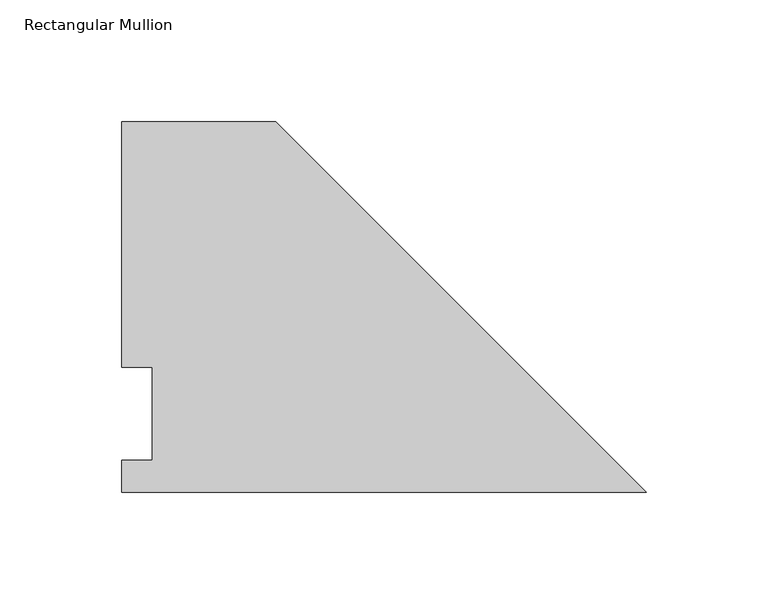
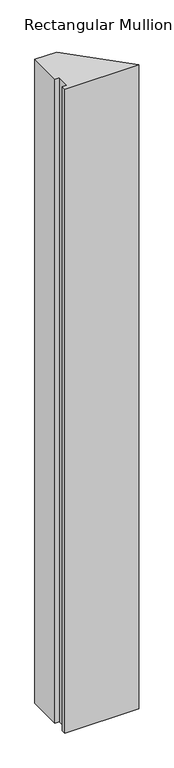
"""IFC4 building model written with IfcOpenShell, lengths in millimetres: member geometry, Rectangular Mullion."""

from ifc_helpers import new_model, si_unit, frame, origin, place, context, project, spatial, polyline, outline, extrude, source, transform, mapped, element, save


def rectangular_mullion_f3903f6b(model_context):
    return source(origin(), model_context, "Body", "SweptSolid", [
        extrude(outline(polyline([(-152.4853182, 152.4988119), (0.0, 0.0134938), (-215.9853182, 0.0134938), (-215.9853182, 13.1960938), (-203.2853182, 13.1960938), (-203.2853182, 51.2960938), (-215.9853182, 51.2960938), (-215.9853182, 152.4988119), (-152.4853182, 152.4988119)])), frame((0.0, 0.0, -1993.9), z_axis=(0.0, 0.0, 1.0), x_axis=(1.0, 0.0, 0.0)), (0.0, 0.0, 1.0), 1993.9),
    ])


if __name__ == "__main__":
    model = new_model("IFC4")
    model_context = context("Model", 3, world=origin())
    ifc_project = project(units=[si_unit("LENGTHUNIT", "METRE", prefix="MILLI")], contexts=[model_context])
    site = spatial("IfcSite", under=ifc_project)
    building = spatial("IfcBuilding", under=site)
    placement = place(None, origin())
    rectangular_mullion_shape = rectangular_mullion_f3903f6b(model_context)
    element("IfcMember", 1, ObjectType="Rectangular Mullion", at=placement, inside=building, context=model_context, shape_type="MappedRepresentation", body=[
        mapped(rectangular_mullion_shape, transform((0.0, 0.0, 0.0), x_axis=(1.0, 0.0, 0.0), y_axis=(0.0, 1.0, 0.0), z_axis=(0.0, 0.0, 1.0))),
    ])
    save(model, "model.ifc")
